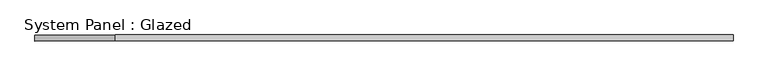
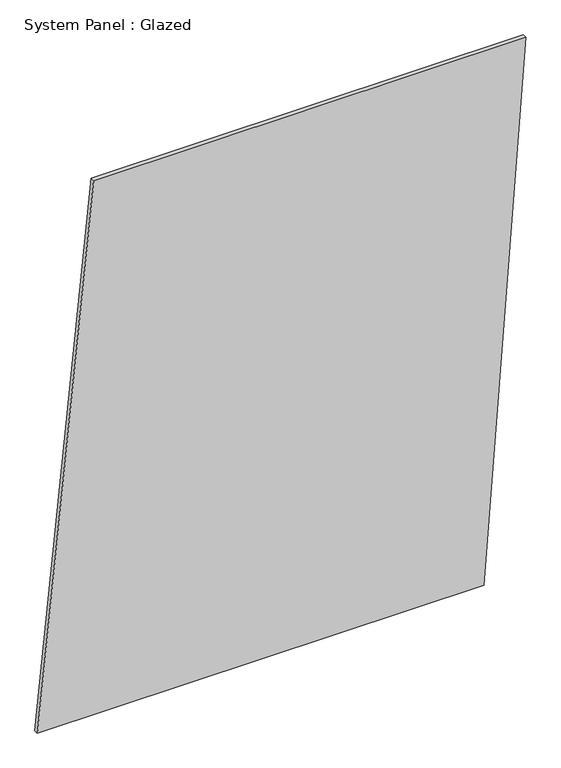
"""IFC4 building model written with IfcOpenShell, lengths in millimetres: plate geometry, System Panel : Glazed."""

from ifc_helpers import new_model, si_unit, frame, origin, place, context, project, spatial, polyline, outline, extrude, source, transform, mapped, element, save


def system_panel_glazed_ce2bcd06(model_context):
    return source(origin(), model_context, "Body", "SweptSolid", [
        extrude(outline(polyline([(0.0, -1447.4963674), (0.0, 1197.129156), (3341.5508959, 1447.4963674), (3341.5508959, -1113.6734189), (0.0, -1447.4963674)])), frame((0.0, -49.5, 0.0), z_axis=(0.0, 1.0, 0.0), x_axis=(0.0, 0.0, 1.0)), (0.0, 0.0, 1.0), 25.0),
    ])


if __name__ == "__main__":
    model = new_model("IFC4")
    model_context = context("Model", 3, world=origin())
    ifc_project = project(units=[si_unit("LENGTHUNIT", "METRE", prefix="MILLI")], contexts=[model_context])
    site = spatial("IfcSite", under=ifc_project)
    building = spatial("IfcBuilding", under=site)
    placement = place(None, origin())
    system_panel_glazed_shape = system_panel_glazed_ce2bcd06(model_context)
    element("IfcPlate", 1, ObjectType="System Panel : Glazed", at=placement, inside=building, context=model_context, shape_type="MappedRepresentation", body=[
        mapped(system_panel_glazed_shape, transform((0.0, 0.0, 0.0), x_axis=(1.0, 0.0, 0.0), y_axis=(0.0, 1.0, 0.0), z_axis=(0.0, 0.0, 1.0))),
    ])
    save(model, "model.ifc")
